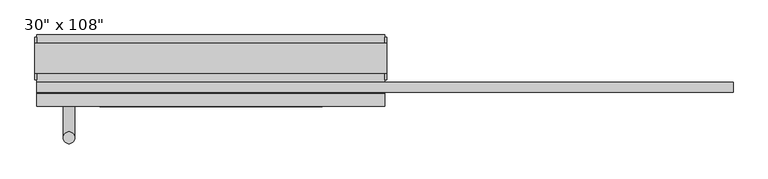
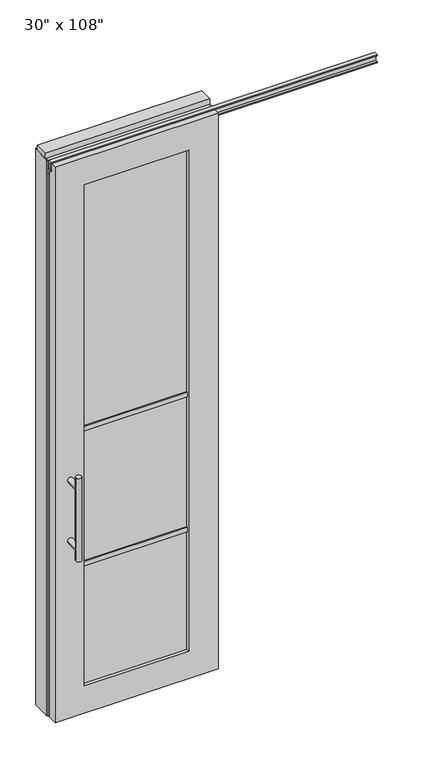
"""IFC4 building model written with IfcOpenShell, lengths in millimetres: furniture geometry."""

from ifc_helpers import new_model, si_unit, frame, origin, origin_with_axes, place, context, project, spatial, polyline, circle_curve, ellipse_curve, outline, extrude, faceted_brep, source, transform, mapped, element, save
from ifc_brep_helpers import plane_surface, cylinder_surface, advanced_brep


def furniture_d88b37ac(model_context):
    return source(origin(), model_context, "Body", "SolidModel", [
        advanced_brep(
        [(-379.8225229, 3.3562784, 1219.2), (-354.4225229, 3.3562784, 1219.2), (-379.8225229, 3.3562784, 812.8), (-354.4225229, 3.3562784, 812.8), (-354.4225229, 3.3562784, 1164.336), (-354.4225229, 3.3562784, 867.664), (-379.8225229, 3.3562784, 867.664), (-379.8225229, 3.3562784, 1164.336), (-379.8225229, -64.2077216, 1164.336), (-354.4225229, -64.2077216, 1164.336), (-379.8225229, -64.2077216, 867.664), (-354.4225229, -64.2077216, 867.664)],
        [
            (0, 1, circle_curve(frame((-367.1225229, 3.3562784, 1219.2), z_axis=(0.0, 0.0, 1.0), x_axis=(1.0, 0.0, 0.0)), 12.7)),
            (1, 0, circle_curve(frame((-367.1225229, 3.3562784, 1219.2), z_axis=(0.0, 0.0, 1.0), x_axis=(1.0, 0.0, 0.0)), 12.7)),
            (2, 3, circle_curve(frame((-367.1225229, 3.3562784, 812.8), z_axis=(0.0, 0.0, -1.0), x_axis=(1.0, 0.0, 0.0)), 12.7)),
            (3, 2, circle_curve(frame((-367.1225229, 3.3562784, 812.8), z_axis=(0.0, 0.0, -1.0), x_axis=(1.0, 0.0, 0.0)), 12.7)),
            (1, 4),
            (4, 5),
            (5, 3),
            (2, 6),
            (6, 7),
            (7, 0),
            (6, 5, ellipse_curve(frame((-367.1225229, 3.3562784, 867.664), z_axis=(0.0, 0.707106781186565, 0.70710678118653), x_axis=(0.0, -0.70710678118653, 0.707106781186565)), 17.9605122, 12.7)),
            (4, 7, ellipse_curve(frame((-367.1225229, 3.3562784, 1164.336), z_axis=(0.0, 0.70710678118653, -0.7071067811865649), x_axis=(0.0, 0.7071067811865648, 0.7071067811865301)), 17.9605122, 12.7)),
            (7, 4, ellipse_curve(frame((-367.1225229, 3.3562784, 1164.336), z_axis=(0.0, 0.707106781186565, 0.70710678118653), x_axis=(0.0, -0.70710678118653, 0.707106781186565)), 17.9605122, 12.7)),
            (5, 6, ellipse_curve(frame((-367.1225229, 3.3562784, 867.664), z_axis=(0.0, 0.70710678118653, -0.7071067811865649), x_axis=(0.0, 0.7071067811865648, 0.7071067811865301)), 17.9605122, 12.7)),
            (8, 9, circle_curve(frame((-367.1225229, -64.2077216, 1164.336), z_axis=(0.0, -1.0, 0.0), x_axis=(1.0, 0.0, 0.0)), 12.7)),
            (9, 8, circle_curve(frame((-367.1225229, -64.2077216, 1164.336), z_axis=(0.0, -1.0, 0.0), x_axis=(1.0, 0.0, 0.0)), 12.7)),
            (8, 7),
            (4, 9),
            (10, 11, circle_curve(frame((-367.1225229, -64.2077216, 867.664), z_axis=(0.0, -1.0, 0.0), x_axis=(1.0, 0.0, 0.0)), 12.7)),
            (11, 10, circle_curve(frame((-367.1225229, -64.2077216, 867.664), z_axis=(0.0, -1.0, 0.0), x_axis=(1.0, 0.0, 0.0)), 12.7)),
            (10, 6),
            (5, 11),
        ],
        [
            plane_surface(frame((-354.4225229, 3.3562784, 1219.2), z_axis=(0.0, 0.0, 1.0), x_axis=(0.0, -1.0, 0.0))),
            plane_surface(frame((-354.4225229, 3.3562784, 812.8), z_axis=(0.0, 0.0, -1.0), x_axis=(0.0, 1.0, 0.0))),
            cylinder_surface(frame((-367.1225229, 3.3562784, 812.8), z_axis=(0.0, 0.0, 1.0), x_axis=(1.0, 0.0, 0.0)), 12.7),
            plane_surface(frame((-354.4225229, -64.2077216, 1164.336), z_axis=(0.0, -1.0, 0.0), x_axis=(0.0, 0.0, -1.0))),
            cylinder_surface(frame((-367.1225229, -64.2077216, 1164.336), z_axis=(0.0, 1.0, 0.0), x_axis=(1.0, 0.0, 0.0)), 12.7),
            plane_surface(frame((-354.4225229, -64.2077216, 867.664), z_axis=(0.0, -1.0, 0.0), x_axis=(0.0, 0.0, -1.0))),
            cylinder_surface(frame((-367.1225229, -64.2077216, 867.664), z_axis=(0.0, 1.0, 0.0), x_axis=(1.0, 0.0, 0.0)), 12.7),
        ],
        [
            (0, [[1, 2]]),
            (1, [[3, 4]]),
            (2, [[5, 6, 7, -3, 8, 9, 10, -2]]),
            (2, [[-9, 11, -6, 12]]),
            (2, [[-10, 13, -5, -1]]),
            (2, [[-7, 14, -8, -4]]),
            (3, [[15, 16]]),
            (4, [[17, -12, 18, -15]]),
            (4, [[-18, -13, -17, -16]]),
            (5, [[19, 20]]),
            (6, [[21, -14, 22, -19]]),
            (6, [[-22, -11, -21, -20]]),
        ],
    ),
        advanced_brep(
        [(-379.8225229, -176.2217216, 1219.2), (-354.4225229, -176.2217216, 1219.2), (-379.8225229, -176.2217216, 812.8), (-354.4225229, -176.2217216, 812.8), (-379.8225229, -176.2217216, 1164.336), (-379.8225229, -176.2217216, 867.664), (-354.4225229, -176.2217216, 867.664), (-354.4225229, -176.2217216, 1164.336), (-379.8225229, -108.6577216, 1164.336), (-354.4225229, -108.6577216, 1164.336), (-379.8225229, -108.6577216, 867.664), (-354.4225229, -108.6577216, 867.664)],
        [
            (0, 1, circle_curve(frame((-367.1225229, -176.2217216, 1219.2), z_axis=(0.0, 0.0, 1.0), x_axis=(1.0, 0.0, 0.0)), 12.7)),
            (1, 0, circle_curve(frame((-367.1225229, -176.2217216, 1219.2), z_axis=(0.0, 0.0, 1.0), x_axis=(1.0, 0.0, 0.0)), 12.7)),
            (2, 3, circle_curve(frame((-367.1225229, -176.2217216, 812.8), z_axis=(0.0, 0.0, -1.0), x_axis=(1.0, 0.0, 0.0)), 12.7)),
            (3, 2, circle_curve(frame((-367.1225229, -176.2217216, 812.8), z_axis=(0.0, 0.0, -1.0), x_axis=(1.0, 0.0, 0.0)), 12.7)),
            (0, 4),
            (4, 5),
            (5, 2),
            (3, 6),
            (6, 7),
            (7, 1),
            (7, 4, ellipse_curve(frame((-367.1225229, -176.2217216, 1164.336), z_axis=(0.0, -0.707106781186565, 0.70710678118653), x_axis=(0.0, 0.70710678118653, 0.707106781186565)), 17.9605122, 12.7)),
            (5, 6, ellipse_curve(frame((-367.1225229, -176.2217216, 867.664), z_axis=(0.0, -0.70710678118653, -0.7071067811865649), x_axis=(0.0, -0.7071067811865648, 0.7071067811865301)), 17.9605122, 12.7)),
            (4, 7, ellipse_curve(frame((-367.1225229, -176.2217216, 1164.336), z_axis=(0.0, -0.70710678118653, -0.7071067811865649), x_axis=(0.0, -0.7071067811865648, 0.7071067811865301)), 17.9605122, 12.7)),
            (6, 5, ellipse_curve(frame((-367.1225229, -176.2217216, 867.664), z_axis=(0.0, -0.707106781186565, 0.70710678118653), x_axis=(0.0, 0.70710678118653, 0.707106781186565)), 17.9605122, 12.7)),
            (8, 9, circle_curve(frame((-367.1225229, -108.6577216, 1164.336), z_axis=(0.0, 1.0, 0.0), x_axis=(1.0, 0.0, 0.0)), 12.7)),
            (9, 8, circle_curve(frame((-367.1225229, -108.6577216, 1164.336), z_axis=(0.0, 1.0, 0.0), x_axis=(1.0, 0.0, 0.0)), 12.7)),
            (9, 7),
            (4, 8),
            (10, 11, circle_curve(frame((-367.1225229, -108.6577216, 867.664), z_axis=(0.0, 1.0, 0.0), x_axis=(1.0, 0.0, 0.0)), 12.7)),
            (11, 10, circle_curve(frame((-367.1225229, -108.6577216, 867.664), z_axis=(0.0, 1.0, 0.0), x_axis=(1.0, 0.0, 0.0)), 12.7)),
            (11, 6),
            (5, 10),
        ],
        [
            plane_surface(frame((-354.4225229, -176.2217216, 1219.2), z_axis=(0.0, 0.0, 1.0), x_axis=(0.0, 1.0, 0.0))),
            plane_surface(frame((-354.4225229, -176.2217216, 812.8), z_axis=(0.0, 0.0, -1.0), x_axis=(0.0, -1.0, 0.0))),
            cylinder_surface(frame((-367.1225229, -176.2217216, 812.8), z_axis=(0.0, 0.0, 1.0), x_axis=(1.0, 0.0, 0.0)), 12.7),
            plane_surface(frame((-354.4225229, -108.6577216, 1164.336), z_axis=(0.0, 1.0, 0.0), x_axis=(0.0, 0.0, -1.0))),
            cylinder_surface(frame((-367.1225229, -108.6577216, 1164.336), z_axis=(0.0, -1.0, 0.0), x_axis=(1.0, 0.0, 0.0)), 12.7),
            plane_surface(frame((-354.4225229, -108.6577216, 867.664), z_axis=(0.0, 1.0, 0.0), x_axis=(0.0, 0.0, -1.0))),
            cylinder_surface(frame((-367.1225229, -108.6577216, 867.664), z_axis=(0.0, -1.0, 0.0), x_axis=(1.0, 0.0, 0.0)), 12.7),
        ],
        [
            (0, [[1, 2]]),
            (1, [[3, 4]]),
            (2, [[-1, 5, 6, 7, -4, 8, 9, 10]]),
            (2, [[-2, -10, 11, -5]]),
            (2, [[-3, -7, 12, -8]]),
            (2, [[13, -9, 14, -6]]),
            (3, [[15, 16]]),
            (4, [[-16, 17, -13, 18]]),
            (4, [[-15, -18, -11, -17]]),
            (5, [[19, 20]]),
            (6, [[-20, 21, -12, 22]]),
            (6, [[-19, -22, -14, -21]]),
        ],
    ),
        extrude(outline(polyline([(-301.0825229, -97.5452216), (-301.0825229, -75.3202216), (181.0094771, -75.3202216), (181.0094771, -97.5452216), (-301.0825229, -97.5452216)])), frame((0.0, 0.0, 1371.6), z_axis=(0.0, 0.0, 1.0), x_axis=(1.0, 0.0, 0.0)), (0.0, 0.0, 1.0), 22.225),
        extrude(outline(polyline([(-301.0825229, -97.5452216), (-301.0825229, -75.3202216), (181.0094771, -75.3202216), (181.0094771, -97.5452216), (-301.0825229, -97.5452216)])), frame((0.0, 0.0, 711.2), z_axis=(0.0, 0.0, 1.0), x_axis=(1.0, 0.0, 0.0)), (0.0, 0.0, 1.0), 22.225),
        extrude(outline(polyline([(181.0094771, -91.5127216), (-301.0825229, -91.5127216), (-301.0825229, -81.3527216), (181.0094771, -81.3527216), (181.0094771, -91.5127216)])), frame((0.0, 0.0, 132.969), z_axis=(0.0, 0.0, 1.0), x_axis=(1.0, 0.0, 0.0)), (0.0, 0.0, 1.0), 2451.862),
        extrude(outline(polyline([(-77.9237216, 2681.478), (-77.9237216, 2686.812), (-65.2237216, 2686.812), (-65.2237216, 2715.768), (-77.9237216, 2715.768), (-77.9237216, 2721.102), (-56.2067216, 2721.102), (-56.2067216, 2681.478), (-77.9237216, 2681.478)])), frame((-437.0995229, 0.0, 0.0), z_axis=(1.0, 0.0, 0.0), x_axis=(0.0, 1.0, 0.0)), (0.0, 0.0, 1.0), 1508.252),
        faceted_brep([(-437.0995229, -108.6577216, 0.0), (317.0264771, -108.6577216, 0.0), (317.0264771, -108.6577216, 2717.8), (-437.0995229, -108.6577216, 2717.8), (181.0094771, -108.6577216, 2584.831), (181.0094771, -108.6577216, 132.969), (-301.0825229, -108.6577216, 132.969), (-301.0825229, -108.6577216, 2584.831), (-437.0995229, -81.2257216, 2717.8), (317.0264771, -81.2257216, 2717.8), (317.0264771, -81.2257216, 2673.223), (-437.0995229, -81.2257216, 2673.223), (-437.0995229, -64.2077216, 2673.223), (-437.0995229, -64.2077216, 0.0), (317.0264771, -64.2077216, 0.0), (317.0264771, -64.2077216, 2673.223), (181.0094771, -64.2077216, 2584.831), (-301.0825229, -64.2077216, 2584.831), (-301.0825229, -64.2077216, 132.969), (181.0094771, -64.2077216, 132.969)], [[[0, 1, 2, 3], [4, 5, 6, 7]], [[8, 9, 10, 11]], [[0, 3, 8, 11, 12, 13]], [[2, 1, 14, 15, 10, 9]], [[3, 2, 9, 8]], [[15, 14, 13, 12], [16, 17, 18, 19]], [[15, 12, 11, 10]], [[1, 0, 13, 14]], [[5, 4, 16, 19]], [[6, 5, 19, 18]], [[7, 6, 18, 17]], [[4, 7, 17, 16]]]),
        extrude(outline(polyline([(-437.0995229, -55.3177216), (-437.0995229, 46.2822784), (317.0264771, 46.2822784), (317.0264771, -55.3177216), (-437.0995229, -55.3177216)])), frame((0.0, 0.0, 2654.3), z_axis=(0.0, 0.0, 1.0), x_axis=(1.0, 0.0, 0.0)), (0.0, 0.0, 1.0), 22.225),
        extrude(outline(polyline([(320.9634771, -50.3647216), (317.0264771, -50.3647216), (317.0264771, 41.3292784), (320.9634771, 41.3292784), (320.9634771, -50.3647216)])), origin_with_axes(), (0.0, 0.0, 1.0), 2717.8),
        extrude(outline(polyline([(-441.0365229, -50.3647216), (-441.0365229, 41.3292784), (-437.0995229, 41.3292784), (-437.0995229, -50.3647216), (-441.0365229, -50.3647216)])), origin_with_axes(), (0.0, 0.0, 1.0), 2717.8),
        extrude(outline(polyline([(294.8014771, -55.3177216), (294.8014771, 46.2822784), (317.0264771, 46.2822784), (317.0264771, -55.3177216), (294.8014771, -55.3177216)])), origin_with_axes(), (0.0, 0.0, 1.0), 2654.3),
        extrude(outline(polyline([(-414.8745229, -55.3177216), (-437.0995229, -55.3177216), (-437.0995229, 46.2822784), (-414.8745229, 46.2822784), (-414.8745229, -55.3177216)])), origin_with_axes(), (0.0, 0.0, 1.0), 2654.3),
        extrude(outline(polyline([(-55.3177216, 2681.478), (-55.3177216, 2717.8), (46.2822784, 2717.8), (46.2822784, 2681.478), (41.3292784, 2681.478), (41.3292784, 2676.525), (-50.3647216, 2676.525), (-50.3647216, 2681.478), (-55.3177216, 2681.478)])), frame((-437.0995229, 0.0, 0.0), z_axis=(1.0, 0.0, 0.0), x_axis=(0.0, 1.0, 0.0)), (0.0, 0.0, 1.0), 754.126),
        extrude(outline(polyline([(-441.0365229, -37.0297216), (-441.0365229, 27.9942784), (320.9634771, 27.9942784), (320.9634771, -37.0297216), (-441.0365229, -37.0297216)])), frame((0.0, 0.0, 2717.8), z_axis=(0.0, 0.0, 1.0), x_axis=(1.0, 0.0, 0.0)), (0.0, 0.0, 1.0), 25.4),
    ])


if __name__ == "__main__":
    model = new_model("IFC4")
    model_context = context("Model", 3, world=origin())
    ifc_project = project(units=[si_unit("LENGTHUNIT", "METRE", prefix="MILLI")], contexts=[model_context])
    site = spatial("IfcSite", under=ifc_project)
    building = spatial("IfcBuilding", under=site)
    placement = place(None, origin())
    furniture_shape = furniture_d88b37ac(model_context)
    element("IfcFurniture", 1, ObjectType="30\" x 108\"", at=placement, inside=building, context=model_context, shape_type="MappedRepresentation", body=[
        mapped(furniture_shape, transform((0.0, 0.0, 0.0), x_axis=(1.0, 0.0, 0.0), y_axis=(0.0, 1.0, 0.0), z_axis=(0.0, 0.0, 1.0))),
    ])
    save(model, "model.ifc")
